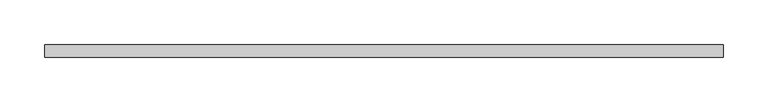
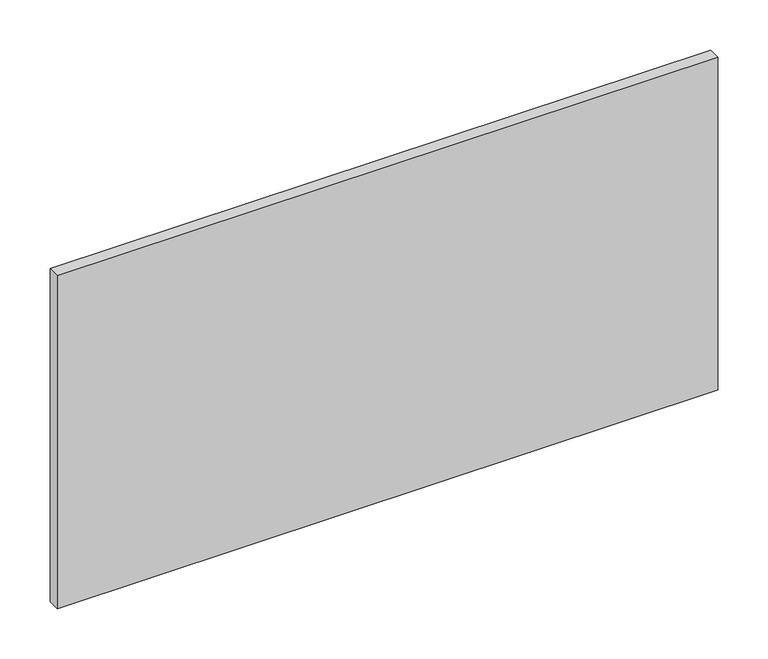
"""IFC4 building model written with IfcOpenShell, lengths in millimetres: furniture geometry."""

from ifc_helpers import new_model, si_unit, frame, origin, place, context, project, spatial, polyline, outline, extrude, source, transform, mapped, element, save


def furniture_45993d60(model_context):
    return source(origin(), model_context, "Body", "SweptSolid", [
        extrude(outline(polyline([(381.0, -34.1082318), (381.0, -48.296513), (-381.0, -48.296513), (-381.0, -34.1082318), (381.0, -34.1082318)])), frame((0.0, 0.0, 730.25), z_axis=(0.0, 0.0, 1.0), x_axis=(1.0, 0.0, 0.0)), (0.0, 0.0, 1.0), 406.4),
    ])


if __name__ == "__main__":
    model = new_model("IFC4")
    model_context = context("Model", 3, world=origin())
    ifc_project = project(units=[si_unit("LENGTHUNIT", "METRE", prefix="MILLI")], contexts=[model_context])
    site = spatial("IfcSite", under=ifc_project)
    building = spatial("IfcBuilding", under=site)
    placement = place(None, origin())
    furniture_shape = furniture_45993d60(model_context)
    element("IfcFurniture", 1, at=placement, inside=building, context=model_context, shape_type="MappedRepresentation", body=[
        mapped(furniture_shape, transform((0.0, 0.0, 0.0), x_axis=(1.0, 0.0, 0.0), y_axis=(0.0, 1.0, 0.0), z_axis=(0.0, 0.0, 1.0))),
    ])
    save(model, "model.ifc")
